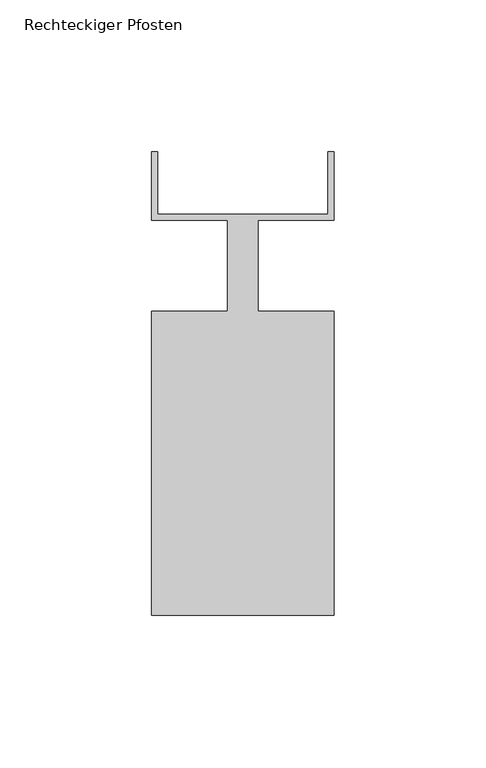
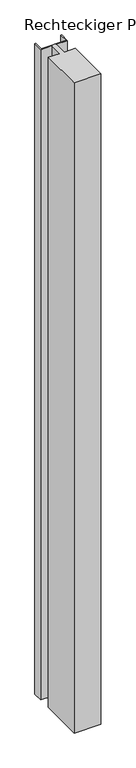
"""IFC4 building model written with IfcOpenShell, lengths in millimetres: member geometry, Rechteckiger Pfosten."""

from ifc_helpers import new_model, si_unit, frame, origin, place, context, project, spatial, polyline, outline, extrude, source, transform, mapped, element, save


def rechteckiger_pfosten_2377a8ec(model_context):
    return source(origin(), model_context, "Body", "SweptSolid", [
        extrude(outline(polyline([(28.0, 37.5), (30.0, 37.5), (30.0, 15.0), (5.0, 15.0), (5.0, -15.0), (30.0, -15.0), (30.0, -115.0), (-30.0, -115.0), (-30.0, -15.0), (-5.0, -15.0), (-5.0, 15.0), (-30.0, 15.0), (-30.0, 37.5), (-28.0, 37.5), (-28.0, 17.0), (28.0, 17.0), (28.0, 37.5)])), frame((0.0, 0.0, -1540.0), z_axis=(0.0, 0.0, 1.0), x_axis=(1.0, 0.0, 0.0)), (0.0, 0.0, 1.0), 1540.0),
    ])


if __name__ == "__main__":
    model = new_model("IFC4")
    model_context = context("Model", 3, world=origin())
    ifc_project = project(units=[si_unit("LENGTHUNIT", "METRE", prefix="MILLI")], contexts=[model_context])
    site = spatial("IfcSite", under=ifc_project)
    building = spatial("IfcBuilding", under=site)
    placement = place(None, origin())
    rechteckiger_pfosten_shape = rechteckiger_pfosten_2377a8ec(model_context)
    element("IfcMember", 1, ObjectType="Rechteckiger Pfosten", at=placement, inside=building, context=model_context, shape_type="MappedRepresentation", body=[
        mapped(rechteckiger_pfosten_shape, transform((0.0, 0.0, 0.0), x_axis=(1.0, 0.0, 0.0), y_axis=(0.0, 1.0, 0.0), z_axis=(0.0, 0.0, 1.0))),
    ])
    save(model, "model.ifc")
